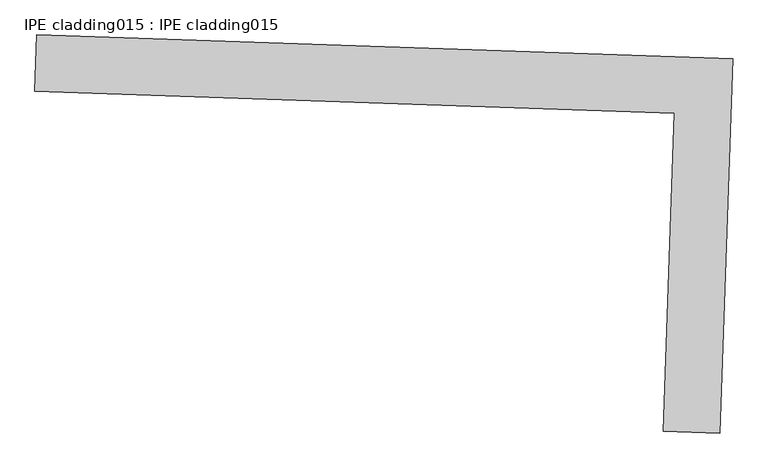
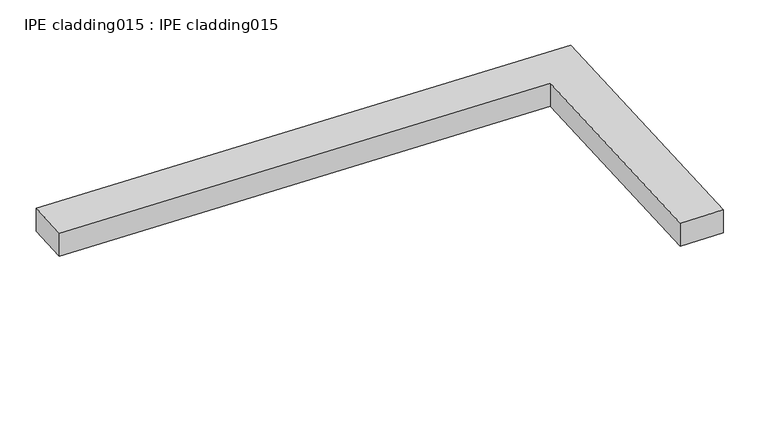
"""IFC4 building model written with IfcOpenShell, lengths in millimetres: proxy geometry, IPE cladding015 : IPE cladding015."""

import ifcopenshell
import ifcopenshell.guid

model = None  # the IFC model being written
_history = None  # IfcOwnerHistory: only IFC2X3 demands one
_inside = {}  # id of a spatial element -> (the spatial element, [elements in it])
_under = {}  # id of a project, library or spatial element -> (it, [spatial elements below it])
_declared = {}  # id of a project -> (the project, [libraries it declares])
_typed = {}  # id of a type object -> (the type object, [elements of that type])
_made_of = {}  # id of a material, layer set ... -> (it, [elements and type objects made of it])


def new_model(schema):
    """Start an empty IFC model of exactly this schema.

    Asked for "IFC4X3", IfcOpenShell would pick the latest addendum, in which some entities
    have other attributes; the version numbers below select the first issue.
    IFC2X3 requires an IfcOwnerHistory on every rooted entity: one is made here for all.
    """
    global model, _history
    if schema == "IFC4X3":
        model = ifcopenshell.file(schema_version=(4, 3, 0, 0))
    else:
        model = ifcopenshell.file(schema=schema)
    _inside.clear()
    _under.clear()
    _declared.clear()
    _typed.clear()
    _made_of.clear()
    _history = None
    if model.schema == "IFC2X3":
        org = make("IfcOrganization", Name="unknown")
        user = make(
            "IfcPersonAndOrganization",
            ThePerson=make("IfcPerson", FamilyName="unknown"),
            TheOrganization=org,
        )
        app = make(
            "IfcApplication",
            ApplicationDeveloper=org,
            Version="unknown",
            ApplicationFullName="unknown",
            ApplicationIdentifier="unknown",
        )
        _history = make(
            "IfcOwnerHistory",
            OwningUser=user,
            OwningApplication=app,
            ChangeAction="ADDED",
            CreationDate=0,
        )
    return model


def make(cls, **values):
    """One entity of the class cls with the attributes given. An attribute that is None is left unset."""
    return model.create_entity(
        cls, **{name: value for name, value in values.items() if value is not None}
    )


def rooted(cls, **values):
    """An entity with a GlobalId (a new one), such as an element, a storey or a relation."""
    return make(cls, GlobalId=ifcopenshell.guid.new(), OwnerHistory=_history, **values)


def si_unit(unit_type, name, prefix=None):
    """IfcSIUnit, for example si_unit("LENGTHUNIT", "METRE", prefix="MILLI")."""
    return make("IfcSIUnit", UnitType=unit_type, Prefix=prefix, Name=name)


def assignment(units):
    """IfcUnitAssignment: the units of a project."""
    return None if units is None else make("IfcUnitAssignment", Units=units)


def point(xyz):
    """IfcCartesianPoint."""
    return None if xyz is None else make("IfcCartesianPoint", Coordinates=xyz)


def direction(xyz):
    """IfcDirection."""
    return None if xyz is None else make("IfcDirection", DirectionRatios=xyz)


def frame(location, z_axis=None, x_axis=None):
    """IfcAxis2Placement3D, a coordinate frame: its origin and axes. An axis left out is left unset."""
    return make(
        "IfcAxis2Placement3D",
        Location=point(location),
        Axis=direction(z_axis),
        RefDirection=direction(x_axis),
    )


def origin():
    """The frame at (0, 0, 0) with its axes left unset."""
    return frame((0.0, 0.0, 0.0))


def place(relative_to, where):
    """IfcLocalPlacement: puts the frame where relative to a parent placement (None: the world)."""
    return make(
        "IfcLocalPlacement", PlacementRelTo=relative_to, RelativePlacement=where
    )


def context(
    kind, dimensions, precision=None, world=None, true_north=None, identifier=None
):
    """IfcGeometricRepresentationContext, for example the 3D "Model" context."""
    return make(
        "IfcGeometricRepresentationContext",
        ContextIdentifier=identifier,
        ContextType=kind,
        CoordinateSpaceDimension=dimensions,
        Precision=precision,
        WorldCoordinateSystem=world,
        TrueNorth=true_north,
    )


def project(units=None, contexts=None):
    """IfcProject with its units and contexts."""
    return rooted(
        "IfcProject",
        Name="project",
        RepresentationContexts=contexts,
        UnitsInContext=assignment(units),
    )


def spatial(cls, under=None, at=None, **own):
    """A site, building, storey or space (cls), placed at a placement, below another one or the project."""
    s = rooted(cls, ObjectPlacement=at, **own)
    if under is not None:
        _under.setdefault(under.id(), (under, []))[1].append(s)
    return s


def polyline(points):
    """IfcPolyline through the points."""
    return make("IfcPolyline", Points=[point(p) for p in points])


def outline(outer, holes=None, kind="AREA"):
    """IfcArbitraryClosedProfileDef: a profile drawn as a closed curve; with holes, ...WithVoids."""
    if holes is None:
        return make("IfcArbitraryClosedProfileDef", ProfileType=kind, OuterCurve=outer)
    return make(
        "IfcArbitraryProfileDefWithVoids",
        ProfileType=kind,
        OuterCurve=outer,
        InnerCurves=holes,
    )


def extrude(swept, where, along, depth):
    """IfcExtrudedAreaSolid: the profile swept, set in the frame where, extruded along a direction by depth."""
    return make(
        "IfcExtrudedAreaSolid",
        SweptArea=swept,
        Position=where,
        ExtrudedDirection=direction(along),
        Depth=depth,
    )


def shape(context_of_items, identifier, shape_type, items):
    """IfcShapeRepresentation: the items that make up one representation, for example the "Body"."""
    return make(
        "IfcShapeRepresentation",
        ContextOfItems=context_of_items,
        RepresentationIdentifier=identifier,
        RepresentationType=shape_type,
        Items=items,
    )


def source(mapping_origin, context_of_items, identifier, shape_type, items):
    """IfcRepresentationMap: a shape defined once, which mapped items show again and again."""
    return make(
        "IfcRepresentationMap",
        MappingOrigin=mapping_origin,
        MappedRepresentation=shape(context_of_items, identifier, shape_type, items),
    )


def transform(
    local_origin,
    x_axis=None,
    y_axis=None,
    z_axis=None,
    scale=None,
    scale2=None,
    scale3=None,
    uniform=True,
):
    """IfcCartesianTransformationOperator3D, or its non-uniform kind. x_axis, y_axis, z_axis: its Axis1, 2, 3."""
    if uniform:
        return make(
            "IfcCartesianTransformationOperator3D",
            Axis1=direction(x_axis),
            Axis2=direction(y_axis),
            LocalOrigin=point(local_origin),
            Scale=scale,
            Axis3=direction(z_axis),
        )
    return make(
        "IfcCartesianTransformationOperator3DnonUniform",
        Axis1=direction(x_axis),
        Axis2=direction(y_axis),
        LocalOrigin=point(local_origin),
        Scale=scale,
        Axis3=direction(z_axis),
        Scale2=scale2,
        Scale3=scale3,
    )


def mapped(mapping_source, mapping_target):
    """IfcMappedItem: shows the shape of a source again, moved by a transform."""
    return make(
        "IfcMappedItem", MappingSource=mapping_source, MappingTarget=mapping_target
    )


def made_of(thing, what):
    """Note that an element or type object is made of a material, layer set ...; save() writes the relation."""
    if what is not None:
        _made_of.setdefault(what.id(), (what, []))[1].append(thing)
    return thing


def element(
    cls,
    number,
    at=None,
    inside=None,
    cuts=None,
    type_object=None,
    material=None,
    context=None,
    identifier="Body",
    shape_type=None,
    held_by="IfcProductDefinitionShape",
    body=None,
    shapes=None,
    **own,
):
    """One element of the class cls, such as IfcWall. Its Tag is "e" and its number.

    at: its placement. inside: the storey or other place that contains it. cuts: it is an
    opening in that element (IfcRelVoidsElement). A single representation is given by context,
    identifier, shape_type and body (its items); several are given by shapes. held_by: the class
    of the entity that holds the representations. save() writes the other relations.
    """
    e = rooted(cls, Tag="e%d" % number, ObjectPlacement=at, **own)
    if body is not None:
        shapes = [shape(context, identifier, shape_type, body)]
    if shapes is not None:
        e.Representation = make(held_by, Representations=shapes)
    if inside is not None:
        _inside.setdefault(inside.id(), (inside, []))[1].append(e)
    if cuts is not None:
        rooted(
            "IfcRelVoidsElement", RelatingBuildingElement=cuts, RelatedOpeningElement=e
        )
    if type_object is not None:
        _typed.setdefault(type_object.id(), (type_object, []))[1].append(e)
    return made_of(e, material)


def aggregate(whole, parts):
    """IfcRelAggregates: a whole, such as a stair, and the parts it consists of."""
    return rooted("IfcRelAggregates", RelatingObject=whole, RelatedObjects=parts)


def save(model, path):
    """Write the relations noted so far, then the file.

    IfcRelAggregates (storeys below a building ...), IfcRelContainedInSpatialStructure (elements
    in a storey), IfcRelDefinesByType, IfcRelAssociatesMaterial and IfcRelDeclares: one each for
    every whole, place, type object, material and project.
    """
    for whole, parts in _under.values():
        aggregate(whole, parts)
    for where, things in _inside.values():
        rooted(
            "IfcRelContainedInSpatialStructure",
            RelatedElements=things,
            RelatingStructure=where,
        )
    for kind, things in _typed.values():
        rooted("IfcRelDefinesByType", RelatedObjects=things, RelatingType=kind)
    for what, things in _made_of.values():
        rooted("IfcRelAssociatesMaterial", RelatedObjects=things, RelatingMaterial=what)
    for by, libraries in _declared.values():
        rooted("IfcRelDeclares", RelatingContext=by, RelatedDefinitions=libraries)
    model.write(path)


def ipe_cladding015_ipe_cladding015_b7164201(model_context):
    return source(origin(), model_context, "Body", "SweptSolid", [
        extrude(outline(polyline([(17306.5036742, -14579.7359008), (17309.5442111, -14490.8879119), (18404.9713727, -14528.3753845), (18384.8189495, -15117.2524231), (18295.9709604, -15114.2118864), (18313.0828471, -14614.1828365), (17306.5036742, -14579.7359008)])), frame((0.0, 0.0, 1750.375707), z_axis=(0.0, 0.0, 1.0), x_axis=(1.0, 0.0, 0.0)), (0.0, 0.0, 1.0), 50.8),
    ])


if __name__ == "__main__":
    model = new_model("IFC4")
    model_context = context("Model", 3, world=origin())
    ifc_project = project(units=[si_unit("LENGTHUNIT", "METRE", prefix="MILLI")], contexts=[model_context])
    site = spatial("IfcSite", under=ifc_project)
    building = spatial("IfcBuilding", under=site)
    placement = place(None, origin())
    ipe_cladding015_ipe_cladding015_shape = ipe_cladding015_ipe_cladding015_b7164201(model_context)
    element("IfcBuildingElementProxy", 1, Name="IPE cladding015 : IPE cladding015", ObjectType="IPE cladding015 : IPE cladding015", at=placement, inside=building, context=model_context, shape_type="MappedRepresentation", body=[
        mapped(ipe_cladding015_ipe_cladding015_shape, transform((0.0, 0.0, 0.0), x_axis=(1.0, 0.0, 0.0), y_axis=(0.0, 1.0, 0.0), z_axis=(0.0, 0.0, 1.0))),
    ])
    save(model, "model.ifc")
